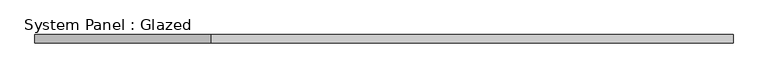
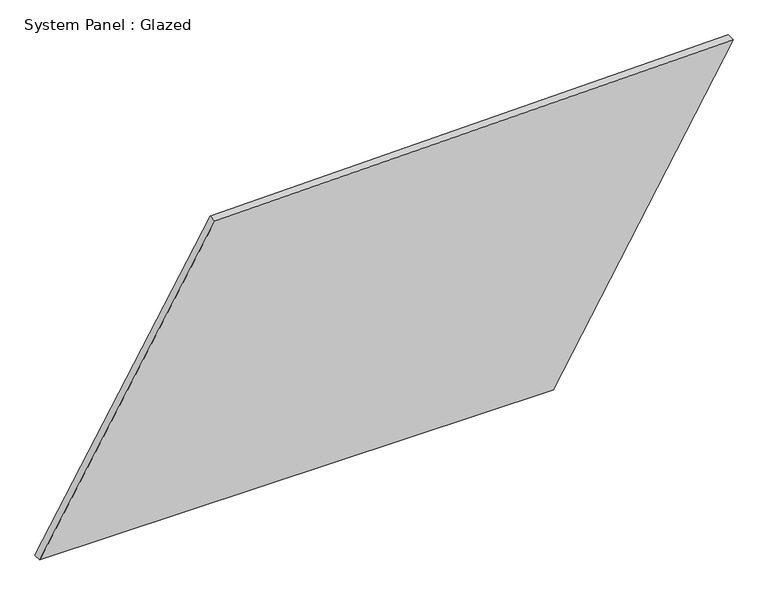
"""IFC4 building model written with IfcOpenShell, lengths in millimetres: plate geometry, System Panel : Glazed."""

from ifc_helpers import new_model, si_unit, frame, origin, place, context, project, spatial, polyline, outline, extrude, source, transform, mapped, element, save


def system_panel_glazed_6bc022f0(model_context):
    return source(origin(), model_context, "Body", "SweptSolid", [
        extrude(outline(polyline([(0.0, -1049.3011334), (0.0, 505.0576197), (931.3203622, 1049.3011334), (899.5873231, -519.325174), (0.0, -1049.3011334)])), frame((0.0, -49.5, 0.0), z_axis=(0.0, 1.0, 0.0), x_axis=(0.0, 0.0, 1.0)), (0.0, 0.0, 1.0), 25.0),
    ])


if __name__ == "__main__":
    model = new_model("IFC4")
    model_context = context("Model", 3, world=origin())
    ifc_project = project(units=[si_unit("LENGTHUNIT", "METRE", prefix="MILLI")], contexts=[model_context])
    site = spatial("IfcSite", under=ifc_project)
    building = spatial("IfcBuilding", under=site)
    placement = place(None, origin())
    system_panel_glazed_shape = system_panel_glazed_6bc022f0(model_context)
    element("IfcPlate", 1, ObjectType="System Panel : Glazed", at=placement, inside=building, context=model_context, shape_type="MappedRepresentation", body=[
        mapped(system_panel_glazed_shape, transform((0.0, 0.0, 0.0), x_axis=(1.0, 0.0, 0.0), y_axis=(0.0, 1.0, 0.0), z_axis=(0.0, 0.0, 1.0))),
    ])
    save(model, "model.ifc")
